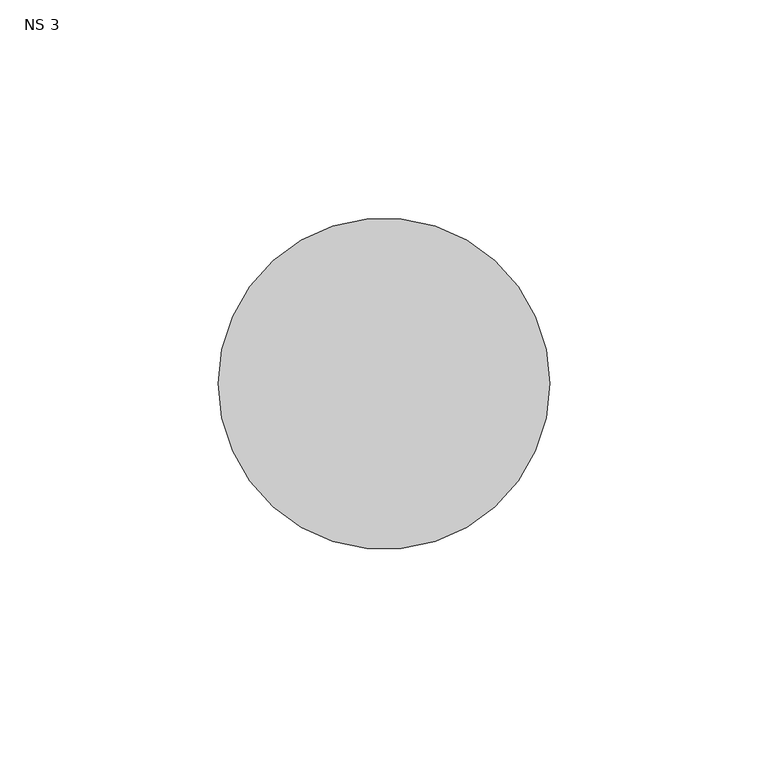
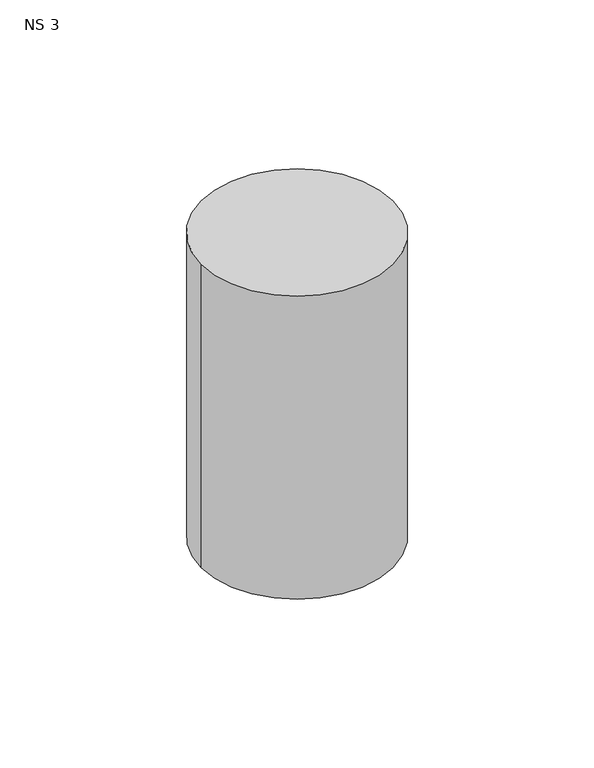
"""IFC4 building model written with IfcOpenShell, lengths in millimetres: unitary equipment geometry, NS 3."""

from ifc_helpers import new_model, si_unit, point, frame, frame_2d, origin, place, context, project, spatial, circle_curve, trimmed, segment, composite_curve, outline, extrude, source, transform, mapped, element, save


def ns_3_1c86842a(model_context):
    return source(origin(), model_context, "Body", "SweptSolid", [
        extrude(outline(composite_curve([segment(trimmed(circle_curve(frame_2d((-479.5, 238.5395574)), 38.0), [point((-517.5, 238.5395574))], [point((-441.5, 238.5395574))], False, "CARTESIAN"), True, "CONTINUOUS"), segment(trimmed(circle_curve(frame_2d((-479.5, 238.5395574)), 38.0), [point((-441.5, 238.5395574))], [point((-517.5, 238.5395574))], False, "CARTESIAN"), True, "CONTINUOUS")], self_intersect=False)), frame((0.0, 0.0, 1260.0), z_axis=(0.0, 0.0, 1.0), x_axis=(1.0, 0.0, 0.0)), (0.0, 0.0, 1.0), 127.0),
    ])


if __name__ == "__main__":
    model = new_model("IFC4")
    model_context = context("Model", 3, world=origin())
    ifc_project = project(units=[si_unit("LENGTHUNIT", "METRE", prefix="MILLI")], contexts=[model_context])
    site = spatial("IfcSite", under=ifc_project)
    building = spatial("IfcBuilding", under=site)
    placement = place(None, origin())
    ns_3_shape = ns_3_1c86842a(model_context)
    element("IfcUnitaryEquipment", 1, ObjectType="NS 3", at=placement, inside=building, context=model_context, shape_type="MappedRepresentation", body=[
        mapped(ns_3_shape, transform((0.0, 0.0, 0.0), x_axis=(1.0, 0.0, 0.0), y_axis=(0.0, 1.0, 0.0), z_axis=(0.0, 0.0, 1.0))),
    ])
    save(model, "model.ifc")
